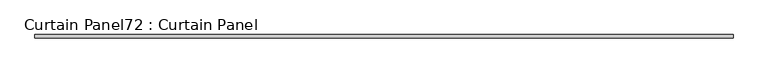
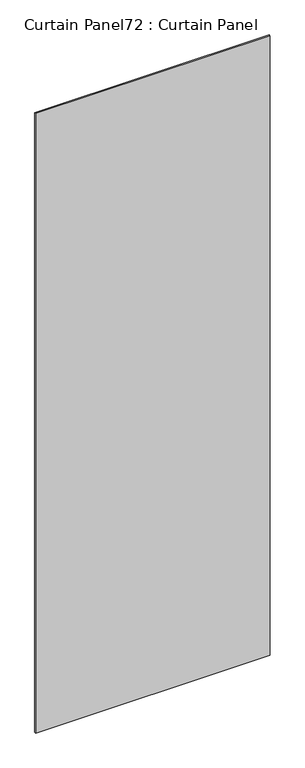
"""IFC4 building model written with IfcOpenShell, lengths in millimetres: plate geometry, Curtain Panel72 : Curtain Panel."""

from ifc_helpers import new_model, si_unit, frame, origin, place, context, project, spatial, polyline, outline, extrude, source, transform, mapped, element, save


def curtain_panel72_curtain_panel_815b225f(model_context):
    return source(origin(), model_context, "Body", "SweptSolid", [
        extrude(outline(polyline([(158026.7885722, 8028.5834949), (152402.620699, 8028.5834949), (152402.620699, 8053.9834949), (158026.7885722, 8053.9834949), (158026.7885722, 8028.5834949)])), frame((0.0, 0.0, 1433.7679301), z_axis=(0.0, 0.0, 1.0), x_axis=(1.0, 0.0, 0.0)), (0.0, 0.0, 1.0), 15711.5380959),
    ])


if __name__ == "__main__":
    model = new_model("IFC4")
    model_context = context("Model", 3, world=origin())
    ifc_project = project(units=[si_unit("LENGTHUNIT", "METRE", prefix="MILLI")], contexts=[model_context])
    site = spatial("IfcSite", under=ifc_project)
    building = spatial("IfcBuilding", under=site)
    placement = place(None, origin())
    curtain_panel72_curtain_panel_shape = curtain_panel72_curtain_panel_815b225f(model_context)
    element("IfcPlate", 1, ObjectType="Curtain Panel72 : Curtain Panel", at=placement, inside=building, context=model_context, shape_type="MappedRepresentation", body=[
        mapped(curtain_panel72_curtain_panel_shape, transform((0.0, 0.0, 0.0), x_axis=(1.0, 0.0, 0.0), y_axis=(0.0, 1.0, 0.0), z_axis=(0.0, 0.0, 1.0))),
    ])
    save(model, "model.ifc")
